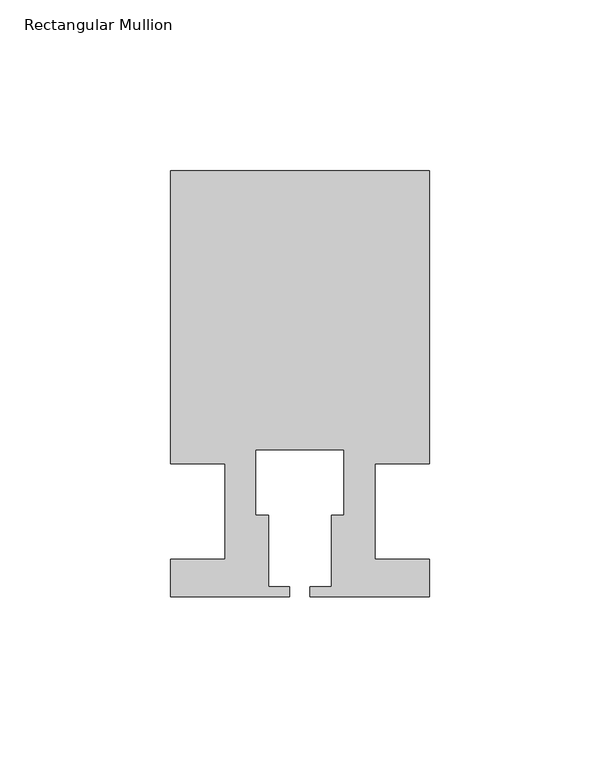
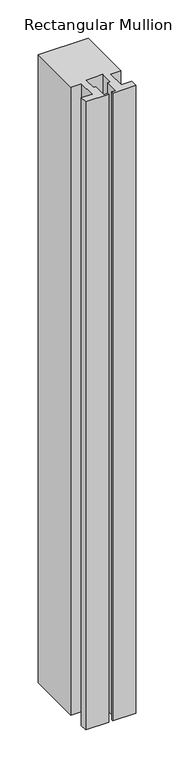
"""IFC4 building model written with IfcOpenShell, lengths in millimetres: member geometry, Rectangular Mullion."""

from ifc_helpers import new_model, si_unit, frame, origin, place, context, project, spatial, polyline, outline, extrude, source, transform, mapped, element, save


def rectangular_mullion_08594c2f(model_context):
    return source(origin(), model_context, "Body", "SweptSolid", [
        extrude(outline(polyline([(37.9999914, 99.9960123), (37.9999914, 13.9960123), (21.9999651, 13.9960123), (21.9999651, -14.0039877), (37.9999896, -14.0039877), (37.9999896, -25.0039877), (2.9999651, -25.0039877), (2.9999651, -22.0039877), (9.1999651, -22.0039877), (9.1999651, -1.0039877), (12.9999651, -1.0039877), (12.9999651, 18.1960075), (-12.9999633, 18.1960075), (-12.9999633, -1.0039877), (-9.1999633, -1.0039877), (-9.1999633, -22.0039877), (-2.9999896, -22.0039877), (-2.9999896, -25.0039877), (-37.9999896, -25.0039877), (-37.9999896, -14.0039877), (-21.9999633, -14.0039877), (-21.9999633, 13.9960123), (-37.9999896, 13.9960123), (-37.9999896, 99.9960123), (37.9999914, 99.9960123)])), frame((0.0, 0.0, -1006.6623342), z_axis=(0.0, 0.0, 1.0), x_axis=(1.0, 0.0, 0.0)), (0.0, 0.0, 1.0), 1006.6623342),
    ])


if __name__ == "__main__":
    model = new_model("IFC4")
    model_context = context("Model", 3, world=origin())
    ifc_project = project(units=[si_unit("LENGTHUNIT", "METRE", prefix="MILLI")], contexts=[model_context])
    site = spatial("IfcSite", under=ifc_project)
    building = spatial("IfcBuilding", under=site)
    placement = place(None, origin())
    rectangular_mullion_shape = rectangular_mullion_08594c2f(model_context)
    element("IfcMember", 1, ObjectType="Rectangular Mullion", at=placement, inside=building, context=model_context, shape_type="MappedRepresentation", body=[
        mapped(rectangular_mullion_shape, transform((0.0, 0.0, 0.0), x_axis=(1.0, 0.0, 0.0), y_axis=(0.0, 1.0, 0.0), z_axis=(0.0, 0.0, 1.0))),
    ])
    save(model, "model.ifc")
